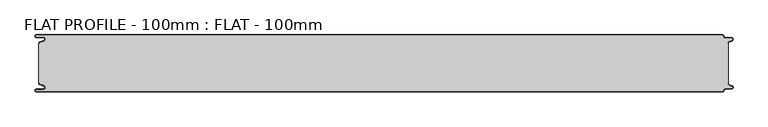
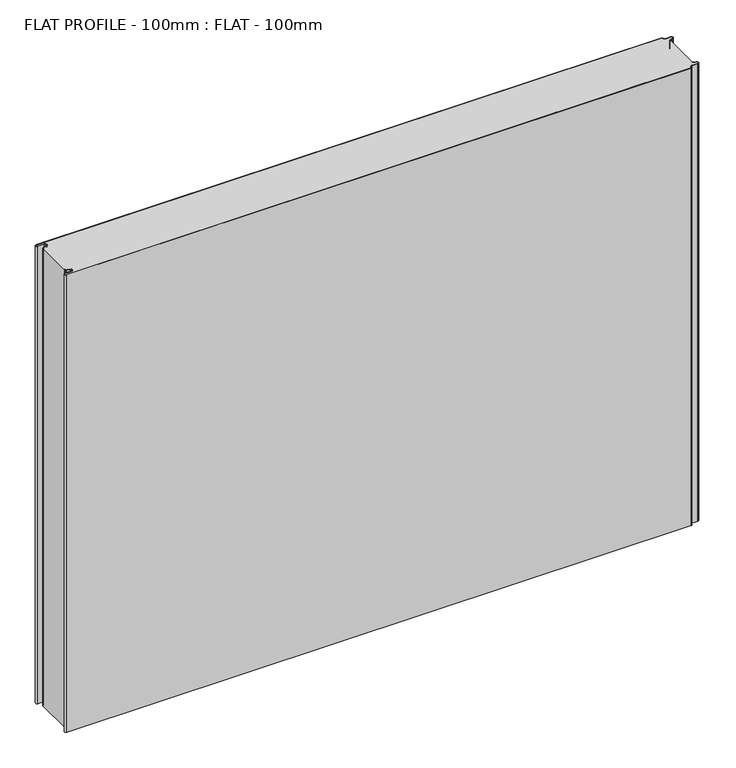
"""IFC4 building model written with IfcOpenShell, lengths in millimetres: proxy geometry, FLAT PROFILE - 100mm : FLAT - 100mm."""

from ifc_helpers import new_model, si_unit, point, frame_2d, origin, origin_with_axes, place, context, project, spatial, polyline, circle_curve, trimmed, segment, composite_curve, outline, extrude, source, transform, mapped, element, save


def flat_profile_100mm_flat_100mm_b0c175cf(model_context):
    return source(origin(), model_context, "Body", "SweptSolid", [
        extrude(outline(composite_curve([segment(polyline([(-591.3794419, 36.1128969), (-589.3904999, 36.9138856), (-583.8995097, 38.9124426)]), True, "CONTINUOUS"), segment(trimmed(circle_curve(frame_2d((-585.2882153, 42.3376495)), 3.6960175), [point((-583.8995097, 38.9124426))], [point((-584.9273771, 46.0160107))], True, "CARTESIAN"), True, "CONTINUOUS"), segment(polyline([(-584.9273771, 46.0160107), (-597.3733883, 46.0160107)]), True, "CONTINUOUS"), segment(trimmed(circle_curve(frame_2d((-597.4921978, 47.511298)), 1.5), [point((-597.3733883, 46.0160107))], [point((-597.3084562, 49.0000019))], False, "CARTESIAN"), True, "CONTINUOUS"), segment(polyline([(-597.3084562, 49.0000019), (596.902372, 49.0000019)]), True, "CONTINUOUS"), segment(trimmed(circle_curve(frame_2d((596.9047345, 47.4926459)), 1.5073578), [point((596.902372, 49.0000019))], [point((598.4115951, 47.4539337))], False, "CARTESIAN"), True, "CONTINUOUS"), segment(trimmed(circle_curve(frame_2d((601.9112919, 47.5000019)), 3.5), [point((598.4115951, 47.4539337))], [point((601.9112919, 44.0000019))], True, "CARTESIAN"), True, "CONTINUOUS"), segment(polyline([(601.9112919, 44.0000019), (612.3116271, 44.0000019)]), True, "CONTINUOUS"), segment(trimmed(circle_curve(frame_2d((612.3116271, 41.9000019)), 2.1), [point((612.3116271, 44.0000019))], [point((613.0435993, 39.9316988))], False, "CARTESIAN"), True, "CONTINUOUS"), segment(polyline([(613.0435993, 39.9316988), (610.7828028, 39.1063001), (607.8546835, 37.9154156)]), True, "CONTINUOUS"), segment(trimmed(circle_curve(frame_2d((608.9399875, 35.2468953)), 2.8807786), [point((607.8546835, 37.9154156))], [point((606.0682599, 35.475074))], True, "CARTESIAN"), True, "CONTINUOUS"), segment(polyline([(606.0682599, 35.475074), (606.0107004, 34.2522232), (607.0118076, 34.2522232), (607.0118076, -34.2522195), (606.0107004, -34.2522195), (606.0682599, -35.4750703)]), True, "CONTINUOUS"), segment(trimmed(circle_curve(frame_2d((608.9399875, -35.2468916)), 2.8807786), [point((606.0682599, -35.4750703))], [point((607.8546835, -37.9154119))], True, "CARTESIAN"), True, "CONTINUOUS"), segment(polyline([(607.8546835, -37.9154119), (610.7828028, -39.1062964), (613.0435993, -39.9316951)]), True, "CONTINUOUS"), segment(trimmed(circle_curve(frame_2d((612.3116271, -41.8999981)), 2.1), [point((613.0435993, -39.9316951))], [point((612.3116271, -43.9999981))], False, "CARTESIAN"), True, "CONTINUOUS"), segment(polyline([(612.3116271, -43.9999981), (601.9112919, -43.9999981)]), True, "CONTINUOUS"), segment(trimmed(circle_curve(frame_2d((601.9112919, -47.4999981)), 3.5), [point((601.9112919, -43.9999981))], [point((598.4115951, -47.45393))], True, "CARTESIAN"), True, "CONTINUOUS"), segment(trimmed(circle_curve(frame_2d((596.9047345, -47.4926422)), 1.5073578), [point((598.4115951, -47.45393))], [point((596.902372, -48.9999981))], False, "CARTESIAN"), True, "CONTINUOUS"), segment(polyline([(596.902372, -48.9999981), (-597.3084562, -48.9999981)]), True, "CONTINUOUS"), segment(trimmed(circle_curve(frame_2d((-597.4921978, -47.5112943)), 1.5), [point((-597.3084562, -48.9999981))], [point((-597.3733883, -46.016007))], False, "CARTESIAN"), True, "CONTINUOUS"), segment(polyline([(-597.3733883, -46.016007), (-584.9273771, -46.016007)]), True, "CONTINUOUS"), segment(trimmed(circle_curve(frame_2d((-585.2882153, -42.3376458)), 3.6960175), [point((-584.9273771, -46.016007))], [point((-583.8995097, -38.9124389))], True, "CARTESIAN"), True, "CONTINUOUS"), segment(polyline([(-583.8995097, -38.9124389), (-589.3904999, -36.9138819), (-591.3794419, -36.1128932)]), True, "CONTINUOUS"), segment(trimmed(circle_curve(frame_2d((-591.0050311, -35.1831907)), 1.0022625), [point((-591.3794419, -36.1128932))], [point((-591.9881924, -35.3779319))], False, "CARTESIAN"), True, "CONTINUOUS"), segment(polyline([(-591.9881924, -35.3779319), (-591.9881924, -34.2522214), (-592.9881924, -34.2522214), (-592.9881924, 34.2522214), (-591.9881924, 34.2522214), (-591.9881924, 35.3779357)]), True, "CONTINUOUS"), segment(trimmed(circle_curve(frame_2d((-591.0050311, 35.1831944)), 1.0022625), [point((-591.9881924, 35.3779357))], [point((-591.3794419, 36.1128969))], False, "CARTESIAN"), True, "CONTINUOUS")], self_intersect=False)), origin_with_axes(), (0.0, 0.0, 1.0), 924.9887139),
        extrude(outline(composite_curve([segment(trimmed(circle_curve(frame_2d((-591.0050311, 35.1831944)), 1.0022625), [point((-591.3794419, 36.1128969))], [point((-591.9881924, 35.3779357))], True, "CARTESIAN"), True, "CONTINUOUS"), segment(polyline([(-591.9881924, 35.3779357), (-591.9881924, 34.2522214), (-592.9881924, 34.2522214), (-592.9881924, 35.4591051)]), True, "CONTINUOUS"), segment(trimmed(circle_curve(frame_2d((-591.0050311, 35.1831944)), 2.0022625), [point((-592.9881924, 35.4591051))], [point((-591.7530074, 37.0405007))], False, "CARTESIAN"), True, "CONTINUOUS"), segment(polyline([(-591.7530074, 37.0405007), (-589.7483949, 37.8478003), (-584.2598383, 39.8454715)]), True, "CONTINUOUS"), segment(trimmed(circle_curve(frame_2d((-585.2882153, 42.3376495)), 2.6960175), [point((-584.2598383, 39.8454715))], [point((-584.9801705, 45.0160107))], True, "CARTESIAN"), True, "CONTINUOUS"), segment(polyline([(-584.9801705, 45.0160107), (-597.3387672, 45.0160107)]), True, "CONTINUOUS"), segment(trimmed(circle_curve(frame_2d((-597.4921978, 47.511298)), 2.5), [point((-597.3387672, 45.0160107))], [point((-597.2548091, 50.0000019))], False, "CARTESIAN"), True, "CONTINUOUS"), segment(polyline([(-597.2548091, 50.0000019), (596.9016875, 50.0000019)]), True, "CONTINUOUS"), segment(trimmed(circle_curve(frame_2d((596.9047345, 47.4926459)), 2.5073578), [point((596.9016875, 50.0000019))], [point((599.4117582, 47.4517176))], False, "CARTESIAN"), True, "CONTINUOUS"), segment(trimmed(circle_curve(frame_2d((601.9112919, 47.5000019)), 2.5), [point((599.4117582, 47.4517176))], [point((601.9112919, 45.0000019))], True, "CARTESIAN"), True, "CONTINUOUS"), segment(polyline([(601.9112919, 45.0000019), (612.3116271, 45.0000019)]), True, "CONTINUOUS"), segment(trimmed(circle_curve(frame_2d((612.3116271, 41.9000019)), 3.1), [point((612.3116271, 45.0000019))], [point((613.3890842, 38.9932707))], False, "CARTESIAN"), True, "CONTINUOUS"), segment(polyline([(613.3890842, 38.9932707), (611.1427659, 38.1731578), (608.2411829, 37.0549269)]), True, "CONTINUOUS"), segment(trimmed(circle_curve(frame_2d((609.0514567, 35.1592666)), 2.0615701), [point((608.2411829, 37.0549269))], [point((607.0118076, 35.4591051))], True, "CARTESIAN"), True, "CONTINUOUS"), segment(polyline([(607.0118076, 35.4591051), (607.0118076, 34.2522232), (606.0107004, 34.2522232), (606.0682599, 35.475074)]), True, "CONTINUOUS"), segment(trimmed(circle_curve(frame_2d((608.9399875, 35.2468953)), 2.8807786), [point((606.0682599, 35.475074))], [point((607.8546835, 37.9154156))], False, "CARTESIAN"), True, "CONTINUOUS"), segment(polyline([(607.8546835, 37.9154156), (610.7828028, 39.1063001), (613.0435993, 39.9316988)]), True, "CONTINUOUS"), segment(trimmed(circle_curve(frame_2d((612.3116271, 41.9000019)), 2.1), [point((613.0435993, 39.9316988))], [point((612.3116271, 44.0000019))], True, "CARTESIAN"), True, "CONTINUOUS"), segment(polyline([(612.3116271, 44.0000019), (601.9112919, 44.0000019)]), True, "CONTINUOUS"), segment(trimmed(circle_curve(frame_2d((601.9112919, 47.5000019)), 3.5), [point((601.9112919, 44.0000019))], [point((598.4115951, 47.4539337))], False, "CARTESIAN"), True, "CONTINUOUS"), segment(trimmed(circle_curve(frame_2d((596.9047345, 47.4926459)), 1.5073578), [point((598.4115951, 47.4539337))], [point((596.902372, 49.0000019))], True, "CARTESIAN"), True, "CONTINUOUS"), segment(polyline([(596.902372, 49.0000019), (-597.3084562, 49.0000019)]), True, "CONTINUOUS"), segment(trimmed(circle_curve(frame_2d((-597.4921978, 47.511298)), 1.5), [point((-597.3084562, 49.0000019))], [point((-597.3733883, 46.0160107))], True, "CARTESIAN"), True, "CONTINUOUS"), segment(polyline([(-597.3733883, 46.0160107), (-584.9273771, 46.0160107)]), True, "CONTINUOUS"), segment(trimmed(circle_curve(frame_2d((-585.2882153, 42.3376495)), 3.6960175), [point((-584.9273771, 46.0160107))], [point((-583.8995097, 38.9124426))], False, "CARTESIAN"), True, "CONTINUOUS"), segment(polyline([(-583.8995097, 38.9124426), (-589.3904999, 36.9138856), (-591.3794419, 36.1128969)]), True, "CONTINUOUS")], self_intersect=False)), origin_with_axes(), (0.0, 0.0, 1.0), 924.9887139),
        extrude(outline(composite_curve([segment(polyline([(-591.3794419, -36.1128932), (-589.3904999, -36.9138819), (-583.8995097, -38.9124389)]), True, "CONTINUOUS"), segment(trimmed(circle_curve(frame_2d((-585.2882153, -42.3376458)), 3.6960175), [point((-583.8995097, -38.9124389))], [point((-584.9273771, -46.016007))], False, "CARTESIAN"), True, "CONTINUOUS"), segment(polyline([(-584.9273771, -46.016007), (-597.3733883, -46.016007)]), True, "CONTINUOUS"), segment(trimmed(circle_curve(frame_2d((-597.4921978, -47.5112943)), 1.5), [point((-597.3733883, -46.016007))], [point((-597.3084562, -48.9999981))], True, "CARTESIAN"), True, "CONTINUOUS"), segment(polyline([(-597.3084562, -48.9999981), (596.902372, -48.9999981)]), True, "CONTINUOUS"), segment(trimmed(circle_curve(frame_2d((596.9047345, -47.4926422)), 1.5073578), [point((596.902372, -48.9999981))], [point((598.4115951, -47.45393))], True, "CARTESIAN"), True, "CONTINUOUS"), segment(trimmed(circle_curve(frame_2d((601.9112919, -47.4999981)), 3.5), [point((598.4115951, -47.45393))], [point((601.9112919, -43.9999981))], False, "CARTESIAN"), True, "CONTINUOUS"), segment(polyline([(601.9112919, -43.9999981), (612.3116271, -43.9999981)]), True, "CONTINUOUS"), segment(trimmed(circle_curve(frame_2d((612.3116271, -41.8999981)), 2.1), [point((612.3116271, -43.9999981))], [point((613.0435993, -39.9316951))], True, "CARTESIAN"), True, "CONTINUOUS"), segment(polyline([(613.0435993, -39.9316951), (610.7828028, -39.1062964), (607.8546835, -37.9154119)]), True, "CONTINUOUS"), segment(trimmed(circle_curve(frame_2d((608.9399875, -35.2468916)), 2.8807786), [point((607.8546835, -37.9154119))], [point((606.0682599, -35.4750703))], False, "CARTESIAN"), True, "CONTINUOUS"), segment(polyline([(606.0682599, -35.4750703), (606.0107004, -34.2522195), (607.0118076, -34.2522195), (607.0118076, -35.4591014)]), True, "CONTINUOUS"), segment(trimmed(circle_curve(frame_2d((609.0514567, -35.1592629)), 2.0615701), [point((607.0118076, -35.4591014))], [point((608.2411829, -37.0549231))], True, "CARTESIAN"), True, "CONTINUOUS"), segment(polyline([(608.2411829, -37.0549231), (611.1427659, -38.1731541), (613.3890842, -38.993267)]), True, "CONTINUOUS"), segment(trimmed(circle_curve(frame_2d((612.3116271, -41.8999981)), 3.1), [point((613.3890842, -38.993267))], [point((612.3116271, -44.9999981))], False, "CARTESIAN"), True, "CONTINUOUS"), segment(polyline([(612.3116271, -44.9999981), (601.9112919, -44.9999981)]), True, "CONTINUOUS"), segment(trimmed(circle_curve(frame_2d((601.9112919, -47.4999981)), 2.5), [point((601.9112919, -44.9999981))], [point((599.4117582, -47.4517139))], True, "CARTESIAN"), True, "CONTINUOUS"), segment(trimmed(circle_curve(frame_2d((596.9047345, -47.4926422)), 2.5073578), [point((599.4117582, -47.4517139))], [point((596.9016875, -49.9999981))], False, "CARTESIAN"), True, "CONTINUOUS"), segment(polyline([(596.9016875, -49.9999981), (-597.2548091, -49.9999981)]), True, "CONTINUOUS"), segment(trimmed(circle_curve(frame_2d((-597.4921978, -47.5112943)), 2.5), [point((-597.2548091, -49.9999981))], [point((-597.3387672, -45.016007))], False, "CARTESIAN"), True, "CONTINUOUS"), segment(polyline([(-597.3387672, -45.016007), (-584.9801705, -45.016007)]), True, "CONTINUOUS"), segment(trimmed(circle_curve(frame_2d((-585.2882153, -42.3376458)), 2.6960175), [point((-584.9801705, -45.016007))], [point((-584.2598383, -39.8454678))], True, "CARTESIAN"), True, "CONTINUOUS"), segment(polyline([(-584.2598383, -39.8454678), (-589.7483949, -37.8477966), (-591.7530074, -37.040497)]), True, "CONTINUOUS"), segment(trimmed(circle_curve(frame_2d((-591.0050311, -35.1831907)), 2.0022625), [point((-591.7530074, -37.040497))], [point((-592.9881924, -35.4591014))], False, "CARTESIAN"), True, "CONTINUOUS"), segment(polyline([(-592.9881924, -35.4591014), (-592.9881924, -34.2522177), (-591.9881924, -34.2522177), (-591.9881924, -35.3779319)]), True, "CONTINUOUS"), segment(trimmed(circle_curve(frame_2d((-591.0050311, -35.1831907)), 1.0022625), [point((-591.9881924, -35.3779319))], [point((-591.3794419, -36.1128932))], True, "CARTESIAN"), True, "CONTINUOUS")], self_intersect=False)), origin_with_axes(), (0.0, 0.0, 1.0), 924.9887139),
    ])


if __name__ == "__main__":
    model = new_model("IFC4")
    model_context = context("Model", 3, world=origin())
    ifc_project = project(units=[si_unit("LENGTHUNIT", "METRE", prefix="MILLI")], contexts=[model_context])
    site = spatial("IfcSite", under=ifc_project)
    building = spatial("IfcBuilding", under=site)
    placement = place(None, origin())
    flat_profile_100mm_flat_100mm_shape = flat_profile_100mm_flat_100mm_b0c175cf(model_context)
    element("IfcBuildingElementProxy", 1, Name="FLAT PROFILE - 100mm : FLAT - 100mm", ObjectType="FLAT PROFILE - 100mm : FLAT - 100mm", at=placement, inside=building, context=model_context, shape_type="MappedRepresentation", body=[
        mapped(flat_profile_100mm_flat_100mm_shape, transform((0.0, 0.0, 0.0), x_axis=(1.0, 0.0, 0.0), y_axis=(0.0, 1.0, 0.0), z_axis=(0.0, 0.0, 1.0))),
    ])
    save(model, "model.ifc")
